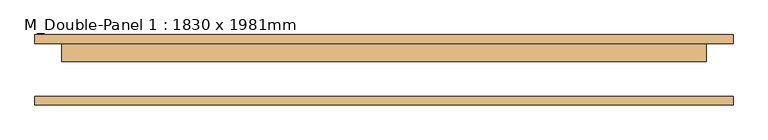
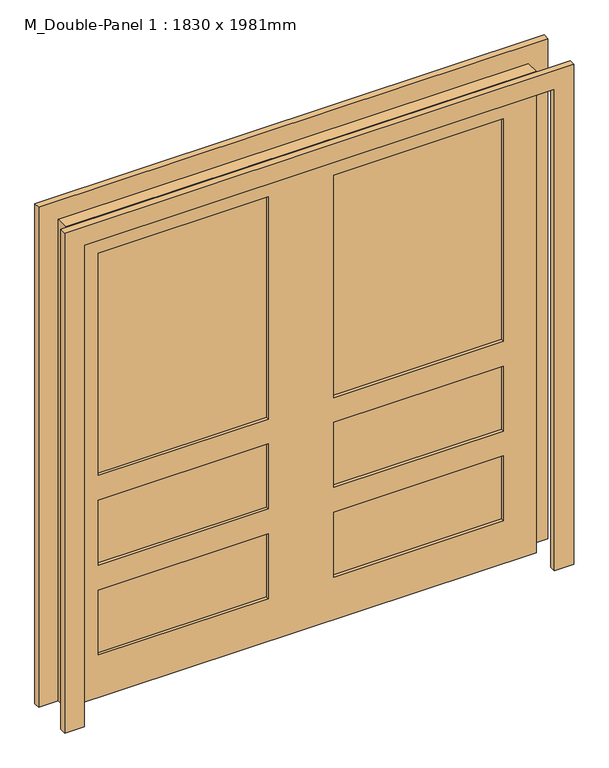
"""IFC4 building model written with IfcOpenShell, lengths in millimetres: door geometry, M_Double-Panel 1 : 1830 x 1981mm."""

import ifcopenshell
import ifcopenshell.guid

model = None  # the IFC model being written
_history = None  # IfcOwnerHistory: only IFC2X3 demands one
_inside = {}  # id of a spatial element -> (the spatial element, [elements in it])
_under = {}  # id of a project, library or spatial element -> (it, [spatial elements below it])
_declared = {}  # id of a project -> (the project, [libraries it declares])
_typed = {}  # id of a type object -> (the type object, [elements of that type])
_made_of = {}  # id of a material, layer set ... -> (it, [elements and type objects made of it])


def new_model(schema):
    """Start an empty IFC model of exactly this schema.

    Asked for "IFC4X3", IfcOpenShell would pick the latest addendum, in which some entities
    have other attributes; the version numbers below select the first issue.
    IFC2X3 requires an IfcOwnerHistory on every rooted entity: one is made here for all.
    """
    global model, _history
    if schema == "IFC4X3":
        model = ifcopenshell.file(schema_version=(4, 3, 0, 0))
    else:
        model = ifcopenshell.file(schema=schema)
    _inside.clear()
    _under.clear()
    _declared.clear()
    _typed.clear()
    _made_of.clear()
    _history = None
    if model.schema == "IFC2X3":
        org = make("IfcOrganization", Name="unknown")
        user = make(
            "IfcPersonAndOrganization",
            ThePerson=make("IfcPerson", FamilyName="unknown"),
            TheOrganization=org,
        )
        app = make(
            "IfcApplication",
            ApplicationDeveloper=org,
            Version="unknown",
            ApplicationFullName="unknown",
            ApplicationIdentifier="unknown",
        )
        _history = make(
            "IfcOwnerHistory",
            OwningUser=user,
            OwningApplication=app,
            ChangeAction="ADDED",
            CreationDate=0,
        )
    return model


def make(cls, **values):
    """One entity of the class cls with the attributes given. An attribute that is None is left unset."""
    return model.create_entity(
        cls, **{name: value for name, value in values.items() if value is not None}
    )


def rooted(cls, **values):
    """An entity with a GlobalId (a new one), such as an element, a storey or a relation."""
    return make(cls, GlobalId=ifcopenshell.guid.new(), OwnerHistory=_history, **values)


def si_unit(unit_type, name, prefix=None):
    """IfcSIUnit, for example si_unit("LENGTHUNIT", "METRE", prefix="MILLI")."""
    return make("IfcSIUnit", UnitType=unit_type, Prefix=prefix, Name=name)


def assignment(units):
    """IfcUnitAssignment: the units of a project."""
    return None if units is None else make("IfcUnitAssignment", Units=units)


def point(xyz):
    """IfcCartesianPoint."""
    return None if xyz is None else make("IfcCartesianPoint", Coordinates=xyz)


def direction(xyz):
    """IfcDirection."""
    return None if xyz is None else make("IfcDirection", DirectionRatios=xyz)


def frame(location, z_axis=None, x_axis=None):
    """IfcAxis2Placement3D, a coordinate frame: its origin and axes. An axis left out is left unset."""
    return make(
        "IfcAxis2Placement3D",
        Location=point(location),
        Axis=direction(z_axis),
        RefDirection=direction(x_axis),
    )


def origin():
    """The frame at (0, 0, 0) with its axes left unset."""
    return frame((0.0, 0.0, 0.0))


def place(relative_to, where):
    """IfcLocalPlacement: puts the frame where relative to a parent placement (None: the world)."""
    return make(
        "IfcLocalPlacement", PlacementRelTo=relative_to, RelativePlacement=where
    )


def context(
    kind, dimensions, precision=None, world=None, true_north=None, identifier=None
):
    """IfcGeometricRepresentationContext, for example the 3D "Model" context."""
    return make(
        "IfcGeometricRepresentationContext",
        ContextIdentifier=identifier,
        ContextType=kind,
        CoordinateSpaceDimension=dimensions,
        Precision=precision,
        WorldCoordinateSystem=world,
        TrueNorth=true_north,
    )


def project(units=None, contexts=None):
    """IfcProject with its units and contexts."""
    return rooted(
        "IfcProject",
        Name="project",
        RepresentationContexts=contexts,
        UnitsInContext=assignment(units),
    )


def spatial(cls, under=None, at=None, **own):
    """A site, building, storey or space (cls), placed at a placement, below another one or the project."""
    s = rooted(cls, ObjectPlacement=at, **own)
    if under is not None:
        _under.setdefault(under.id(), (under, []))[1].append(s)
    return s


def polyline(points):
    """IfcPolyline through the points."""
    return make("IfcPolyline", Points=[point(p) for p in points])


def outline(outer, holes=None, kind="AREA"):
    """IfcArbitraryClosedProfileDef: a profile drawn as a closed curve; with holes, ...WithVoids."""
    if holes is None:
        return make("IfcArbitraryClosedProfileDef", ProfileType=kind, OuterCurve=outer)
    return make(
        "IfcArbitraryProfileDefWithVoids",
        ProfileType=kind,
        OuterCurve=outer,
        InnerCurves=holes,
    )


def extrude(swept, where, along, depth):
    """IfcExtrudedAreaSolid: the profile swept, set in the frame where, extruded along a direction by depth."""
    return make(
        "IfcExtrudedAreaSolid",
        SweptArea=swept,
        Position=where,
        ExtrudedDirection=direction(along),
        Depth=depth,
    )


def shape(context_of_items, identifier, shape_type, items):
    """IfcShapeRepresentation: the items that make up one representation, for example the "Body"."""
    return make(
        "IfcShapeRepresentation",
        ContextOfItems=context_of_items,
        RepresentationIdentifier=identifier,
        RepresentationType=shape_type,
        Items=items,
    )


def source(mapping_origin, context_of_items, identifier, shape_type, items):
    """IfcRepresentationMap: a shape defined once, which mapped items show again and again."""
    return make(
        "IfcRepresentationMap",
        MappingOrigin=mapping_origin,
        MappedRepresentation=shape(context_of_items, identifier, shape_type, items),
    )


def transform(
    local_origin,
    x_axis=None,
    y_axis=None,
    z_axis=None,
    scale=None,
    scale2=None,
    scale3=None,
    uniform=True,
):
    """IfcCartesianTransformationOperator3D, or its non-uniform kind. x_axis, y_axis, z_axis: its Axis1, 2, 3."""
    if uniform:
        return make(
            "IfcCartesianTransformationOperator3D",
            Axis1=direction(x_axis),
            Axis2=direction(y_axis),
            LocalOrigin=point(local_origin),
            Scale=scale,
            Axis3=direction(z_axis),
        )
    return make(
        "IfcCartesianTransformationOperator3DnonUniform",
        Axis1=direction(x_axis),
        Axis2=direction(y_axis),
        LocalOrigin=point(local_origin),
        Scale=scale,
        Axis3=direction(z_axis),
        Scale2=scale2,
        Scale3=scale3,
    )


def mapped(mapping_source, mapping_target):
    """IfcMappedItem: shows the shape of a source again, moved by a transform."""
    return make(
        "IfcMappedItem", MappingSource=mapping_source, MappingTarget=mapping_target
    )


def made_of(thing, what):
    """Note that an element or type object is made of a material, layer set ...; save() writes the relation."""
    if what is not None:
        _made_of.setdefault(what.id(), (what, []))[1].append(thing)
    return thing


def element(
    cls,
    number,
    at=None,
    inside=None,
    cuts=None,
    type_object=None,
    material=None,
    context=None,
    identifier="Body",
    shape_type=None,
    held_by="IfcProductDefinitionShape",
    body=None,
    shapes=None,
    **own,
):
    """One element of the class cls, such as IfcWall. Its Tag is "e" and its number.

    at: its placement. inside: the storey or other place that contains it. cuts: it is an
    opening in that element (IfcRelVoidsElement). A single representation is given by context,
    identifier, shape_type and body (its items); several are given by shapes. held_by: the class
    of the entity that holds the representations. save() writes the other relations.
    """
    e = rooted(cls, Tag="e%d" % number, ObjectPlacement=at, **own)
    if body is not None:
        shapes = [shape(context, identifier, shape_type, body)]
    if shapes is not None:
        e.Representation = make(held_by, Representations=shapes)
    if inside is not None:
        _inside.setdefault(inside.id(), (inside, []))[1].append(e)
    if cuts is not None:
        rooted(
            "IfcRelVoidsElement", RelatingBuildingElement=cuts, RelatedOpeningElement=e
        )
    if type_object is not None:
        _typed.setdefault(type_object.id(), (type_object, []))[1].append(e)
    return made_of(e, material)


def aggregate(whole, parts):
    """IfcRelAggregates: a whole, such as a stair, and the parts it consists of."""
    return rooted("IfcRelAggregates", RelatingObject=whole, RelatedObjects=parts)


def save(model, path):
    """Write the relations noted so far, then the file.

    IfcRelAggregates (storeys below a building ...), IfcRelContainedInSpatialStructure (elements
    in a storey), IfcRelDefinesByType, IfcRelAssociatesMaterial and IfcRelDeclares: one each for
    every whole, place, type object, material and project.
    """
    for whole, parts in _under.values():
        aggregate(whole, parts)
    for where, things in _inside.values():
        rooted(
            "IfcRelContainedInSpatialStructure",
            RelatedElements=things,
            RelatingStructure=where,
        )
    for kind, things in _typed.values():
        rooted("IfcRelDefinesByType", RelatedObjects=things, RelatingType=kind)
    for what, things in _made_of.values():
        rooted("IfcRelAssociatesMaterial", RelatedObjects=things, RelatingMaterial=what)
    for by, libraries in _declared.values():
        rooted("IfcRelDeclares", RelatingContext=by, RelatedDefinitions=libraries)
    model.write(path)


def m_double_panel_1_1830_x_1981mm_5616f84e(model_context):
    return source(origin(), model_context, "Body", "SweptSolid", [
        extrude(outline(polyline([(2057.0, -991.0), (0.0, -991.0), (0.0, -915.0), (1981.0, -915.0), (1981.0, 915.0), (0.0, 915.0), (0.0, 991.0), (2057.0, 991.0), (2057.0, -991.0)])), frame((0.0, 75.0, 0.0), z_axis=(0.0, 1.0, 0.0), x_axis=(0.0, 0.0, 1.0)), (0.0, 0.0, 1.0), 25.0),
        extrude(outline(polyline([(127.0, 62.3), (788.0, 62.3), (788.0, 36.7), (127.0, 36.7), (127.0, 62.3)])), frame((0.0, 0.0, 913.6), z_axis=(0.0, 0.0, 1.0), x_axis=(1.0, 0.0, 0.0)), (0.0, 0.0, 1.0), 915.0),
        extrude(outline(polyline([(127.0, 62.3), (788.0, 62.3), (788.0, 36.7), (127.0, 36.7), (127.0, 62.3)])), frame((0.0, 0.0, 544.3), z_axis=(0.0, 0.0, 1.0), x_axis=(1.0, 0.0, 0.0)), (0.0, 0.0, 1.0), 267.3),
        extrude(outline(polyline([(127.0, 62.3), (788.0, 62.3), (788.0, 36.7), (127.0, 36.7), (127.0, 62.3)])), frame((0.0, 0.0, 175.0), z_axis=(0.0, 0.0, 1.0), x_axis=(1.0, 0.0, 0.0)), (0.0, 0.0, 1.0), 267.3),
        extrude(outline(polyline([(-788.0, 62.3), (-127.0, 62.3), (-127.0, 36.7), (-788.0, 36.7), (-788.0, 62.3)])), frame((0.0, 0.0, 913.6), z_axis=(0.0, 0.0, 1.0), x_axis=(1.0, 0.0, 0.0)), (0.0, 0.0, 1.0), 915.0),
        extrude(outline(polyline([(-788.0, 62.3), (-127.0, 62.3), (-127.0, 36.7), (-788.0, 36.7), (-788.0, 62.3)])), frame((0.0, 0.0, 544.3), z_axis=(0.0, 0.0, 1.0), x_axis=(1.0, 0.0, 0.0)), (0.0, 0.0, 1.0), 267.3),
        extrude(outline(polyline([(-788.0, 62.3), (-127.0, 62.3), (-127.0, 36.7), (-788.0, 36.7), (-788.0, 62.3)])), frame((0.0, 0.0, 175.0), z_axis=(0.0, 0.0, 1.0), x_axis=(1.0, 0.0, 0.0)), (0.0, 0.0, 1.0), 267.3),
        extrude(outline(polyline([(1981.0, -915.0), (0.0, -915.0), (0.0, 915.0), (1981.0, 915.0), (1981.0, -915.0)]), holes=[polyline([(1828.6, 127.0), (1828.6, 788.0), (913.6, 788.0), (913.6, 127.0), (1828.6, 127.0)]), polyline([(544.3, 788.0), (544.3, 127.0), (811.6, 127.0), (811.6, 788.0), (544.3, 788.0)]), polyline([(442.3, 788.0), (175.0, 788.0), (175.0, 127.0), (442.3, 127.0), (442.3, 788.0)]), polyline([(1828.6, -127.0), (913.6, -127.0), (913.6, -788.0), (1828.6, -788.0), (1828.6, -127.0)]), polyline([(811.6, -788.0), (811.6, -127.0), (544.3, -127.0), (544.3, -788.0), (811.6, -788.0)]), polyline([(175.0, -127.0), (175.0, -788.0), (442.3, -788.0), (442.3, -127.0), (175.0, -127.0)])]), frame((0.0, 24.0, 0.0), z_axis=(0.0, 1.0, 0.0), x_axis=(0.0, 0.0, 1.0)), (0.0, 0.0, 1.0), 51.0),
        extrude(outline(polyline([(1981.0, -915.0), (1981.0, 915.0), (0.0, 915.0), (0.0, 991.0), (2057.0, 991.0), (2057.0, -991.0), (0.0, -991.0), (0.0, -915.0), (1981.0, -915.0)])), frame((0.0, -100.0, 0.0), z_axis=(0.0, 1.0, 0.0), x_axis=(0.0, 0.0, 1.0)), (0.0, 0.0, 1.0), 25.0),
    ])


if __name__ == "__main__":
    model = new_model("IFC4")
    model_context = context("Model", 3, world=origin())
    ifc_project = project(units=[si_unit("LENGTHUNIT", "METRE", prefix="MILLI")], contexts=[model_context])
    site = spatial("IfcSite", under=ifc_project)
    building = spatial("IfcBuilding", under=site)
    placement = place(None, origin())
    m_double_panel_1_1830_x_1981mm_shape = m_double_panel_1_1830_x_1981mm_5616f84e(model_context)
    element("IfcDoor", 1, ObjectType="M_Double-Panel 1 : 1830 x 1981mm", at=placement, inside=building, context=model_context, shape_type="MappedRepresentation", body=[
        mapped(m_double_panel_1_1830_x_1981mm_shape, transform((0.0, 0.0, 0.0), x_axis=(1.0, 0.0, 0.0), y_axis=(0.0, 1.0, 0.0), z_axis=(0.0, 0.0, 1.0))),
    ])
    save(model, "model.ifc")
